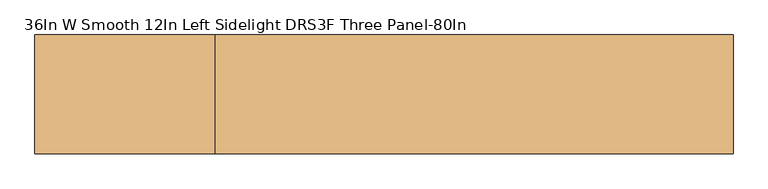
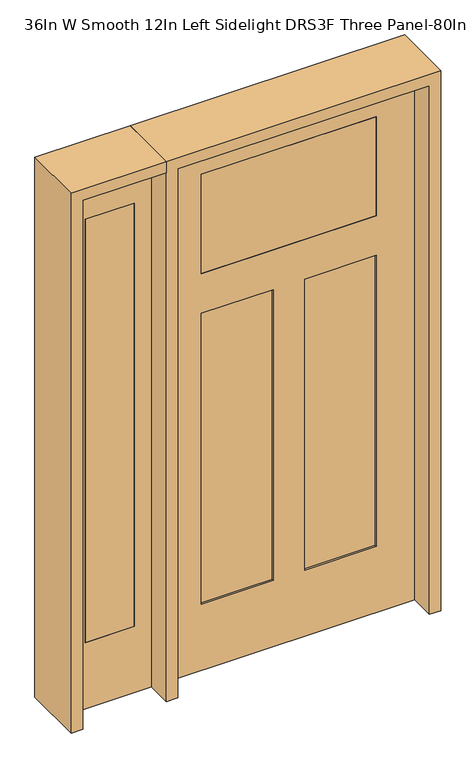
"""IFC4 building model written with IfcOpenShell, lengths in millimetres: door geometry, 36In W Smooth 12In Left Sidelight DRS3F Three Panel-80In."""

from ifc_helpers import new_model, si_unit, frame, origin, place, context, project, spatial, polyline, outline, extrude, faceted_brep, source, transform, mapped, element, save


def door_36in_w_smooth_12in_left_sidelight_drs3f_three_panel_b7bb44e0(model_context):
    return source(origin(), model_context, "Body", "SolidModel", [
        extrude(outline(polyline([(-561.975, -20.6375), (-739.775, -20.6375), (-739.775, 20.6375), (-561.975, 20.6375), (-561.975, -20.6375)])), frame((0.0, 0.0, 254.0), z_axis=(0.0, 0.0, 1.0), x_axis=(1.0, 0.0, 0.0)), (0.0, 0.0, 1.0), 1625.6),
        extrude(outline(polyline([(0.0, -803.275), (0.0, -498.475), (2032.0, -498.475), (2032.0, -803.275), (0.0, -803.275)]), holes=[polyline([(1879.6, -561.975), (254.0, -561.975), (254.0, -739.775), (1879.6, -739.775), (1879.6, -561.975)])]), frame((0.0, -20.6375, 0.0), z_axis=(0.0, 1.0, 0.0), x_axis=(0.0, 0.0, 1.0)), (0.0, 0.0, 1.0), 41.275),
        faceted_brep([(457.2, 20.6375, 0.0), (457.2, -20.6375, 0.0), (-457.2, -20.6375, 0.0), (-457.2, 20.6375, 0.0), (457.2, 20.6375, 2032.0), (457.2, -20.6375, 2032.0), (-457.2, -20.6375, 2032.0), (-317.5, -20.6375, 1905.0), (317.5, -20.6375, 1905.0), (317.5, -20.6375, 1524.0), (-317.5, -20.6375, 1524.0), (-317.5, -20.6375, 1371.6), (-57.15, -20.6375, 1371.6), (-57.15, -20.6375, 254.0), (-317.5, -20.6375, 254.0), (57.15, -20.6375, 1371.6), (317.5, -20.6375, 1371.6), (317.5, -20.6375, 254.0), (57.15, -20.6375, 254.0), (-457.2, 20.6375, 2032.0), (-57.15, 20.6375, 1371.6), (-317.5, 20.6375, 1371.6), (-317.5, 20.6375, 254.0), (-57.15, 20.6375, 254.0), (317.5, 20.6375, 1371.6), (57.15, 20.6375, 1371.6), (57.15, 20.6375, 254.0), (317.5, 20.6375, 254.0), (317.5, 20.6375, 1905.0), (-317.5, 20.6375, 1905.0), (-317.5, 20.6375, 1524.0), (317.5, 20.6375, 1524.0), (-317.5, 14.2875, 1371.6), (-317.5, 14.2875, 254.0), (-57.15, 14.2875, 254.0), (-57.15, 14.2875, 1371.6), (57.15, 14.2875, 1371.6), (57.15, 14.2875, 254.0), (317.5, 14.2875, 254.0), (317.5, 14.2875, 1371.6), (-57.15, -14.2875, 1371.6), (-57.15, -14.2875, 254.0), (-317.5, -14.2875, 254.0), (-317.5, -14.2875, 1371.6), (317.5, -14.2875, 1371.6), (317.5, -14.2875, 254.0), (57.15, -14.2875, 254.0), (57.15, -14.2875, 1371.6)], [[[0, 1, 2, 3]], [[4, 5, 1, 0]], [[5, 6, 2, 1], [7, 8, 9, 10], [11, 12, 13, 14], [15, 16, 17, 18]], [[6, 19, 3, 2]], [[19, 4, 0, 3], [20, 21, 22, 23], [24, 25, 26, 27], [28, 29, 30, 31]], [[4, 19, 6, 5]], [[32, 33, 22, 21]], [[33, 34, 23, 22]], [[34, 35, 20, 23]], [[36, 37, 26, 25]], [[37, 38, 27, 26]], [[38, 39, 24, 27]], [[40, 41, 13, 12]], [[41, 42, 14, 13]], [[42, 43, 11, 14]], [[44, 45, 17, 16]], [[45, 46, 18, 17]], [[46, 47, 15, 18]], [[40, 43, 42, 41]], [[44, 47, 46, 45]], [[35, 34, 33, 32]], [[39, 38, 37, 36]], [[7, 29, 28, 8]], [[29, 7, 10, 30]], [[30, 10, 9, 31]], [[8, 28, 31, 9]], [[43, 40, 12, 11]], [[47, 44, 16, 15]], [[35, 32, 21, 20]], [[39, 36, 25, 24]]]),
        extrude(outline(polyline([(317.5, -20.6375), (-317.5, -20.6375), (-317.5, 20.6375), (317.5, 20.6375), (317.5, -20.6375)])), frame((0.0, 0.0, 1524.0), z_axis=(0.0, 0.0, 1.0), x_axis=(1.0, 0.0, 0.0)), (0.0, 0.0, 1.0), 381.0),
        extrude(outline(polyline([(2032.0, -498.475), (2073.275, -498.475), (2073.275, -844.55), (0.0, -844.55), (0.0, -803.275), (2032.0, -803.275), (2032.0, -498.475)])), frame((0.0, -114.3, 0.0), z_axis=(0.0, 1.0, 0.0), x_axis=(0.0, 0.0, 1.0)), (0.0, 0.0, 1.0), 228.6),
        extrude(outline(polyline([(2073.275, -498.475), (0.0, -498.475), (0.0, -457.2), (2032.0, -457.2), (2032.0, 457.2), (0.0, 457.2), (0.0, 498.475), (2073.275, 498.475), (2073.275, -498.475)])), frame((0.0, -114.3, 0.0), z_axis=(0.0, 1.0, 0.0), x_axis=(0.0, 0.0, 1.0)), (0.0, 0.0, 1.0), 228.6),
    ])


if __name__ == "__main__":
    model = new_model("IFC4")
    model_context = context("Model", 3, world=origin())
    ifc_project = project(units=[si_unit("LENGTHUNIT", "METRE", prefix="MILLI")], contexts=[model_context])
    site = spatial("IfcSite", under=ifc_project)
    building = spatial("IfcBuilding", under=site)
    placement = place(None, origin())
    door_36in_w_smooth_12in_left_sidelight_drs3f_three_panel_shape = door_36in_w_smooth_12in_left_sidelight_drs3f_three_panel_b7bb44e0(model_context)
    element("IfcDoor", 1, ObjectType="36In W Smooth 12In Left Sidelight DRS3F Three Panel-80In", at=placement, inside=building, context=model_context, shape_type="MappedRepresentation", body=[
        mapped(door_36in_w_smooth_12in_left_sidelight_drs3f_three_panel_shape, transform((0.0, 0.0, 0.0), x_axis=(1.0, 0.0, 0.0), y_axis=(0.0, 1.0, 0.0), z_axis=(0.0, 0.0, 1.0))),
    ])
    save(model, "model.ifc")
